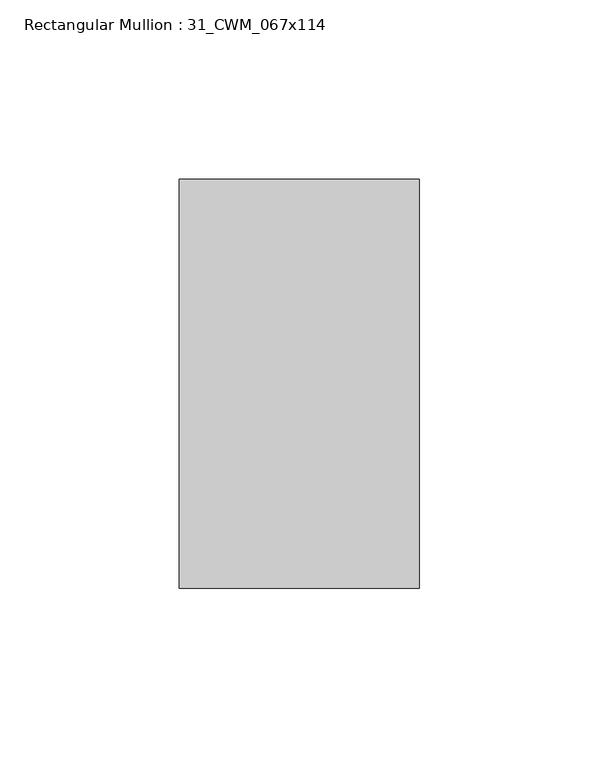
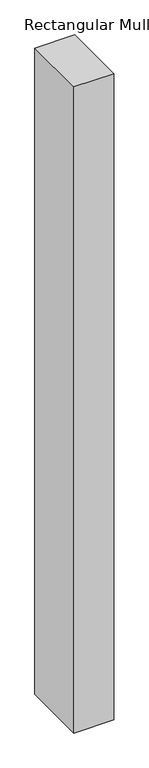
"""IFC4 building model written with IfcOpenShell, lengths in millimetres: member geometry, Rectangular Mullion : 31_CWM_067x114."""

from ifc_helpers import new_model, si_unit, frame, origin, place, context, project, spatial, polyline, outline, extrude, source, transform, mapped, element, save


def rectangular_mullion_31_cwm_067x114_5aacda74(model_context):
    return source(origin(), model_context, "Body", "SweptSolid", [
        extrude(outline(polyline([(0.0, 0.0), (0.0, -114.0), (-67.0, -114.0), (-67.0, 0.0), (0.0, 0.0)])), frame((0.0, 0.0, -1151.1666667), z_axis=(0.0, 0.0, 1.0), x_axis=(1.0, 0.0, 0.0)), (0.0, 0.0, 1.0), 1151.1666667),
    ])


if __name__ == "__main__":
    model = new_model("IFC4")
    model_context = context("Model", 3, world=origin())
    ifc_project = project(units=[si_unit("LENGTHUNIT", "METRE", prefix="MILLI")], contexts=[model_context])
    site = spatial("IfcSite", under=ifc_project)
    building = spatial("IfcBuilding", under=site)
    placement = place(None, origin())
    rectangular_mullion_31_cwm_067x114_shape = rectangular_mullion_31_cwm_067x114_5aacda74(model_context)
    element("IfcMember", 1, ObjectType="Rectangular Mullion : 31_CWM_067x114", at=placement, inside=building, context=model_context, shape_type="MappedRepresentation", body=[
        mapped(rectangular_mullion_31_cwm_067x114_shape, transform((0.0, 0.0, 0.0), x_axis=(1.0, 0.0, 0.0), y_axis=(0.0, 1.0, 0.0), z_axis=(0.0, 0.0, 1.0))),
    ])
    save(model, "model.ifc")
